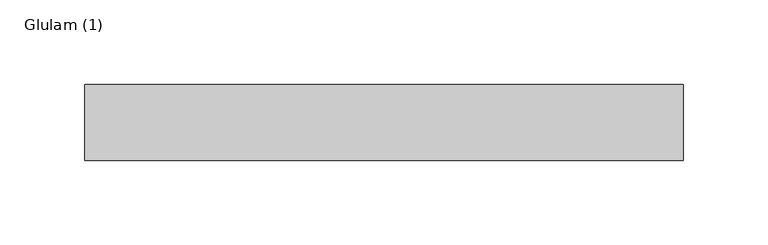
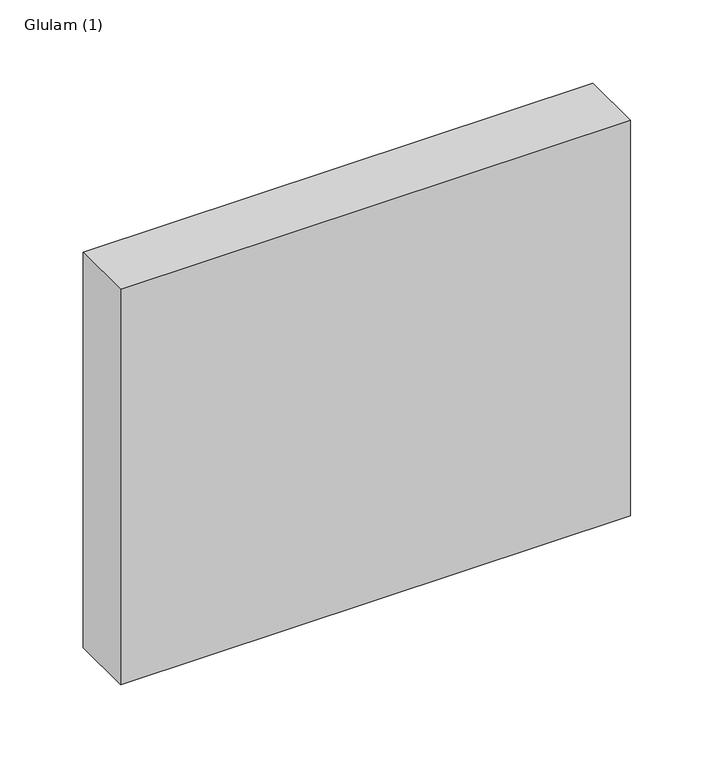
"""IFC4 building model written with IfcOpenShell, lengths in millimetres: beam geometry, Glulam (1)."""

from ifc_helpers import new_model, si_unit, frame, origin, place, context, project, spatial, polyline, outline, extrude, source, transform, mapped, element, save


def glulam_1_3ab6db2a(model_context):
    return source(origin(), model_context, "Body", "SweptSolid", [
        extrude(outline(polyline([(177.0, 22.5), (177.0, -22.5), (-177.0, -22.5), (-177.0, 22.5), (177.0, 22.5)])), frame((0.0, 0.0, -145.0), z_axis=(0.0, 0.0, 1.0), x_axis=(1.0, 0.0, 0.0)), (0.0, 0.0, 1.0), 290.0),
    ])


if __name__ == "__main__":
    model = new_model("IFC4")
    model_context = context("Model", 3, world=origin())
    ifc_project = project(units=[si_unit("LENGTHUNIT", "METRE", prefix="MILLI")], contexts=[model_context])
    site = spatial("IfcSite", under=ifc_project)
    building = spatial("IfcBuilding", under=site)
    placement = place(None, origin())
    glulam_1_shape = glulam_1_3ab6db2a(model_context)
    element("IfcBeam", 1, ObjectType="Glulam (1)", at=placement, inside=building, context=model_context, shape_type="MappedRepresentation", body=[
        mapped(glulam_1_shape, transform((0.0, 0.0, 0.0), x_axis=(1.0, 0.0, 0.0), y_axis=(0.0, 1.0, 0.0), z_axis=(0.0, 0.0, 1.0))),
    ])
    save(model, "model.ifc")
